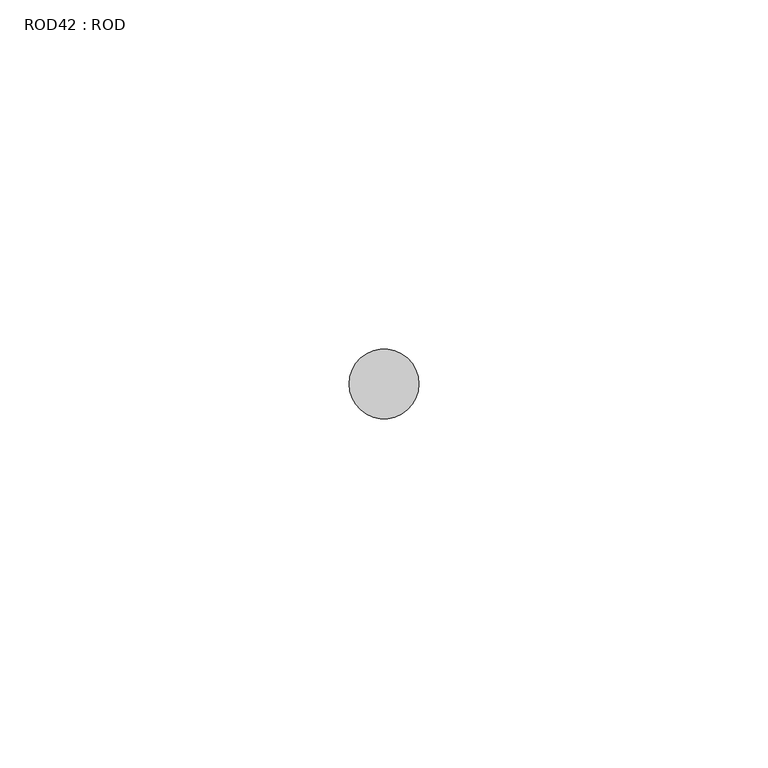
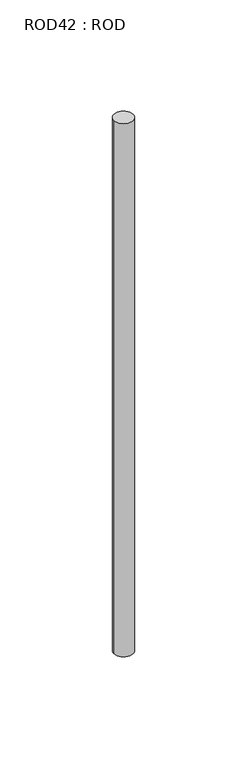
"""IFC4 building model written with IfcOpenShell, lengths in millimetres: proxy geometry, ROD42 : ROD."""

from ifc_helpers import new_model, si_unit, point, frame, frame_2d, origin, place, context, project, spatial, circle_curve, trimmed, segment, composite_curve, outline, extrude, source, transform, mapped, element, save


def rod42_rod_d36f1642(model_context):
    return source(origin(), model_context, "Body", "SweptSolid", [
        extrude(outline(composite_curve([segment(trimmed(circle_curve(frame_2d((1879.7673324, -1114.6300853)), 5.0), [point((1874.7673324, -1114.6300853))], [point((1884.7673324, -1114.6300853))], False, "CARTESIAN"), True, "CONTINUOUS"), segment(trimmed(circle_curve(frame_2d((1879.7673324, -1114.6300853)), 5.0), [point((1884.7673324, -1114.6300853))], [point((1874.7673324, -1114.6300853))], False, "CARTESIAN"), True, "CONTINUOUS")], self_intersect=False)), frame((0.0, 0.0, -208.6608845), z_axis=(0.0, 0.0, 1.0), x_axis=(1.0, 0.0, 0.0)), (0.0, 0.0, 1.0), 298.9028972),
    ])


if __name__ == "__main__":
    model = new_model("IFC4")
    model_context = context("Model", 3, world=origin())
    ifc_project = project(units=[si_unit("LENGTHUNIT", "METRE", prefix="MILLI")], contexts=[model_context])
    site = spatial("IfcSite", under=ifc_project)
    building = spatial("IfcBuilding", under=site)
    placement = place(None, origin())
    rod42_rod_shape = rod42_rod_d36f1642(model_context)
    element("IfcBuildingElementProxy", 1, Name="ROD42 : ROD", ObjectType="ROD42 : ROD", at=placement, inside=building, context=model_context, shape_type="MappedRepresentation", body=[
        mapped(rod42_rod_shape, transform((0.0, 0.0, 0.0), x_axis=(1.0, 0.0, 0.0), y_axis=(0.0, 1.0, 0.0), z_axis=(0.0, 0.0, 1.0))),
    ])
    save(model, "model.ifc")
